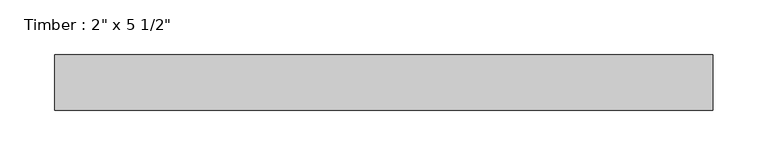
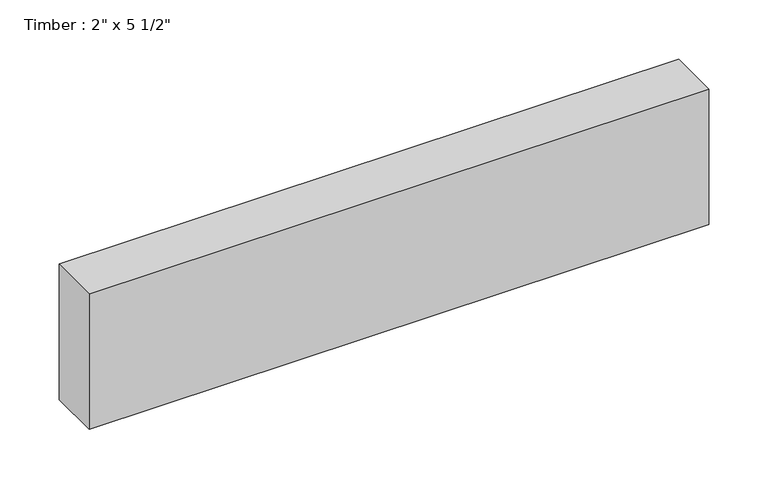
"""IFC4 building model written with IfcOpenShell, lengths in millimetres: beam geometry."""

from ifc_helpers import new_model, si_unit, frame, origin, place, context, project, spatial, polyline, outline, extrude, source, transform, mapped, element, save


def beam_2c093c50(model_context):
    return source(origin(), model_context, "Body", "SweptSolid", [
        extrude(outline(polyline([(301.6383741, 25.4), (301.6383741, -25.4), (-301.6383741, -25.4), (-301.6383741, 25.4), (301.6383741, 25.4)])), frame((0.0, 0.0, -69.85), z_axis=(0.0, 0.0, 1.0), x_axis=(1.0, 0.0, 0.0)), (0.0, 0.0, 1.0), 139.7),
    ])


if __name__ == "__main__":
    model = new_model("IFC4")
    model_context = context("Model", 3, world=origin())
    ifc_project = project(units=[si_unit("LENGTHUNIT", "METRE", prefix="MILLI")], contexts=[model_context])
    site = spatial("IfcSite", under=ifc_project)
    building = spatial("IfcBuilding", under=site)
    placement = place(None, origin())
    beam_shape = beam_2c093c50(model_context)
    element("IfcBeam", 1, ObjectType="Timber : 2\" x 5 1/2\"", at=placement, inside=building, context=model_context, shape_type="MappedRepresentation", body=[
        mapped(beam_shape, transform((0.0, 0.0, 0.0), x_axis=(1.0, 0.0, 0.0), y_axis=(0.0, 1.0, 0.0), z_axis=(0.0, 0.0, 1.0))),
    ])
    save(model, "model.ifc")
